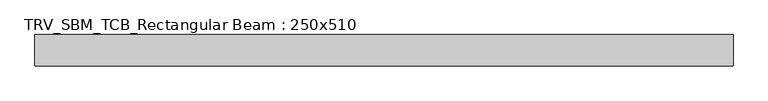
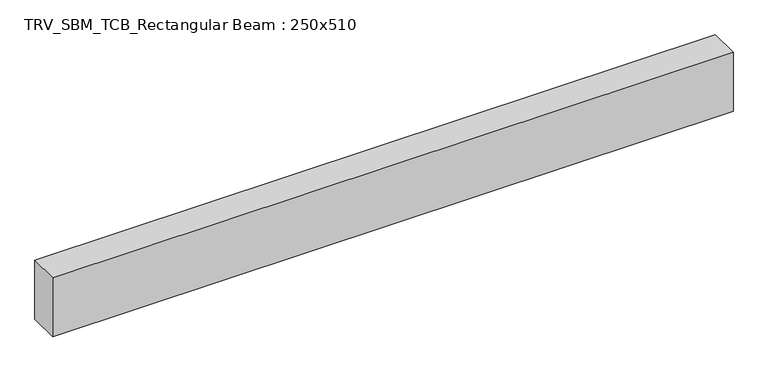
"""IFC4 building model written with IfcOpenShell, lengths in millimetres: beam geometry, TRV_SBM_TCB_Rectangular Beam : 250x510."""

from ifc_helpers import new_model, si_unit, frame, origin, place, context, project, spatial, polyline, outline, extrude, source, transform, mapped, element, save


def trv_sbm_tcb_rectangular_beam_250x510_f0938c43(model_context):
    return source(origin(), model_context, "Body", "SweptSolid", [
        extrude(outline(polyline([(2783.7, 125.0), (2783.7, -125.0), (-2783.7, -125.0), (-2783.7, 125.0), (2783.7, 125.0)])), frame((0.0, 0.0, -255.0), z_axis=(0.0, 0.0, 1.0), x_axis=(1.0, 0.0, 0.0)), (0.0, 0.0, 1.0), 510.0),
    ])


if __name__ == "__main__":
    model = new_model("IFC4")
    model_context = context("Model", 3, world=origin())
    ifc_project = project(units=[si_unit("LENGTHUNIT", "METRE", prefix="MILLI")], contexts=[model_context])
    site = spatial("IfcSite", under=ifc_project)
    building = spatial("IfcBuilding", under=site)
    placement = place(None, origin())
    trv_sbm_tcb_rectangular_beam_250x510_shape = trv_sbm_tcb_rectangular_beam_250x510_f0938c43(model_context)
    element("IfcBeam", 1, ObjectType="TRV_SBM_TCB_Rectangular Beam : 250x510", at=placement, inside=building, context=model_context, shape_type="MappedRepresentation", body=[
        mapped(trv_sbm_tcb_rectangular_beam_250x510_shape, transform((0.0, 0.0, 0.0), x_axis=(1.0, 0.0, 0.0), y_axis=(0.0, 1.0, 0.0), z_axis=(0.0, 0.0, 1.0))),
    ])
    save(model, "model.ifc")
